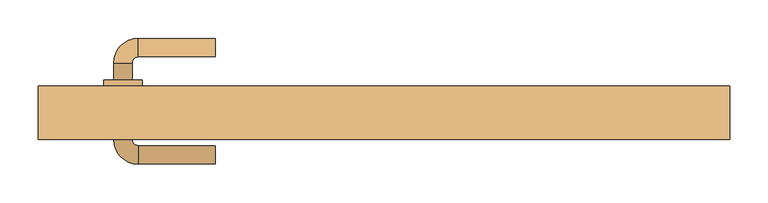
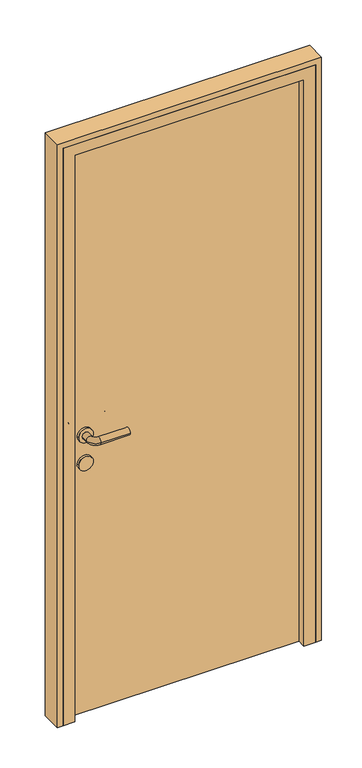
"""IFC4 building model written with IfcOpenShell, lengths in millimetres: door geometry."""

from ifc_helpers import new_model, si_unit, point, frame, frame_2d, origin, origin_with_axes, place, context, project, spatial, polyline, circle_curve, ellipse_curve, trimmed, segment, composite_curve, outline, extrude, faceted_brep, source, transform, mapped, element, save
from ifc_brep_helpers import plane_surface, cylinder_surface, revolved_surface, advanced_brep


def door_412e6088(model_context):
    return source(origin(), model_context, "Body", "SolidModel", [
        advanced_brep(
        [(-220.0, 122.0, 1000.0), (-220.0, 98.0, 1000.0), (-320.0, 122.0, 1000.0), (-320.0, 98.0, 1000.0), (-352.0, 90.0, 1000.0), (-328.0, 90.0, 1000.0), (-352.0, 68.0, 1000.0), (-328.0, 68.0, 1000.0), (-352.0, -10.0, 1000.0), (-328.0, -10.0, 1000.0), (-328.0, 12.0, 1000.0), (-352.0, 12.0, 1000.0), (-320.0, -42.0, 1000.0), (-320.0, -18.0, 1000.0), (-220.0, -42.0, 1000.0), (-220.0, -18.0, 1000.0), (-365.0, 68.0, 1000.0), (-315.0, 68.0, 1000.0), (-365.0, 12.0, 1000.0), (-315.0, 12.0, 1000.0)],
        [
            (0, 1, circle_curve(frame((-220.0, 110.0, 1000.0), z_axis=(1.0, 0.0, 0.0), x_axis=(0.0, -1.0, 0.0)), 12.0)),
            (1, 0, circle_curve(frame((-220.0, 110.0, 1000.0), z_axis=(1.0, 0.0, 0.0), x_axis=(0.0, -1.0, 0.0)), 12.0)),
            (0, 2),
            (2, 3, circle_curve(frame((-320.0, 110.0, 1000.0), z_axis=(1.0, 0.0, 0.0), x_axis=(0.0, -1.0, 0.0)), 12.0)),
            (3, 1),
            (3, 2, circle_curve(frame((-320.0, 110.0, 1000.0), z_axis=(1.0, 0.0, 0.0), x_axis=(0.0, -1.0, 0.0)), 12.0)),
            (2, 4, circle_curve(frame((-320.0, 90.0, 1000.0), z_axis=(0.0, 0.0, 1.0), x_axis=(0.0, 1.0, 0.0)), 32.0)),
            (4, 5, circle_curve(frame((-340.0, 90.0, 1000.0), z_axis=(0.0, 1.0, 0.0), x_axis=(1.0, 0.0, 0.0)), 12.0)),
            (5, 3, circle_curve(frame((-320.0, 90.0, 1000.0), z_axis=(0.0, 0.0, -1.0), x_axis=(0.0, 1.0, 0.0)), 8.0)),
            (5, 4, circle_curve(frame((-340.0, 90.0, 1000.0), z_axis=(0.0, 1.0, 0.0), x_axis=(1.0, 0.0, 0.0)), 12.0)),
            (4, 6),
            (6, 7, circle_curve(frame((-340.0, 68.0, 1000.0), z_axis=(0.0, 1.0, 0.0), x_axis=(1.0, 0.0, 0.0)), 12.0)),
            (7, 5),
            (8, 9, circle_curve(frame((-340.0, -10.0, 1000.0), z_axis=(0.0, 1.0, 0.0), x_axis=(1.0, 0.0, 0.0)), 12.0)),
            (9, 10),
            (10, 11, circle_curve(frame((-340.0, 12.0, 1000.0), z_axis=(0.0, -1.0, 0.0), x_axis=(1.0, 0.0, 0.0)), 12.0)),
            (11, 8),
            (7, 6, circle_curve(frame((-340.0, 68.0, 1000.0), z_axis=(0.0, 1.0, 0.0), x_axis=(1.0, 0.0, 0.0)), 12.0)),
            (9, 8, circle_curve(frame((-340.0, -10.0, 1000.0), z_axis=(0.0, 1.0, 0.0), x_axis=(1.0, 0.0, 0.0)), 12.0)),
            (11, 10, circle_curve(frame((-340.0, 12.0, 1000.0), z_axis=(0.0, -1.0, 0.0), x_axis=(1.0, 0.0, 0.0)), 12.0)),
            (8, 12, circle_curve(frame((-320.0, -10.0, 1000.0), z_axis=(0.0, 0.0, 1.0), x_axis=(-1.0, 0.0, 0.0)), 32.0)),
            (12, 13, circle_curve(frame((-320.0, -30.0, 1000.0), z_axis=(-1.0, 0.0, 0.0), x_axis=(0.0, 1.0, 0.0)), 12.0)),
            (13, 9, circle_curve(frame((-320.0, -10.0, 1000.0), z_axis=(0.0, 0.0, -1.0), x_axis=(-1.0, 0.0, 0.0)), 8.0)),
            (13, 12, circle_curve(frame((-320.0, -30.0, 1000.0), z_axis=(-1.0, 0.0, 0.0), x_axis=(0.0, 1.0, 0.0)), 12.0)),
            (14, 15, circle_curve(frame((-220.0, -30.0, 1000.0), z_axis=(1.0, 0.0, 0.0), x_axis=(0.0, 1.0, 0.0)), 12.0)),
            (15, 14, circle_curve(frame((-220.0, -30.0, 1000.0), z_axis=(1.0, 0.0, 0.0), x_axis=(0.0, 1.0, 0.0)), 12.0)),
            (12, 14),
            (15, 13),
            (16, 17, circle_curve(frame((-340.0, 68.0, 1000.0), z_axis=(0.0, 1.0, 0.0), x_axis=(1.0, 0.0, 0.0)), 25.0)),
            (17, 16, circle_curve(frame((-340.0, 68.0, 1000.0), z_axis=(0.0, 1.0, 0.0), x_axis=(1.0, 0.0, 0.0)), 25.0)),
            (18, 19, circle_curve(frame((-340.0, 12.0, 1000.0), z_axis=(0.0, -1.0, 0.0), x_axis=(1.0, 0.0, 0.0)), 25.0)),
            (19, 18, circle_curve(frame((-340.0, 12.0, 1000.0), z_axis=(0.0, -1.0, 0.0), x_axis=(1.0, 0.0, 0.0)), 25.0)),
            (17, 19),
            (18, 16),
        ],
        [
            plane_surface(frame((-220.0, 110.0, 1000.0), z_axis=(1.0, 0.0, 0.0), x_axis=(0.0, 0.0, 1.0))),
            cylinder_surface(frame((-220.0, 110.0, 1000.0), z_axis=(1.0, 0.0, 0.0), x_axis=(0.0, -1.0, 0.0)), 12.0),
            revolved_surface(trimmed(ellipse_curve(frame((-320.0, 110.0, 1000.0), z_axis=(1.0, 0.0, 0.0), x_axis=(0.0, -1.0, 0.0)), 12.0, 12.0), [point((-320.0, 122.0, 1000.0))], [point((-320.0, 98.0, 1000.0))], True, "CARTESIAN"), (-320.0, 90.0, 1000.0), (0.0, 0.0, 1.0)),
            revolved_surface(trimmed(ellipse_curve(frame((-320.0, 110.0, 1000.0), z_axis=(1.0, 0.0, 0.0), x_axis=(0.0, -1.0, 0.0)), 12.0, 12.0), [point((-320.0, 98.0, 1000.0))], [point((-320.0, 122.0, 1000.0))], True, "CARTESIAN"), (-320.0, 90.0, 1000.0), (0.0, 0.0, 1.0)),
            cylinder_surface(frame((-340.0, 90.0, 1000.0), z_axis=(0.0, 1.0, 0.0), x_axis=(1.0, 0.0, 0.0)), 12.0),
            revolved_surface(trimmed(ellipse_curve(frame((-340.0, -10.0, 1000.0), z_axis=(0.0, 1.0, 0.0), x_axis=(1.0, 0.0, 0.0)), 12.0, 12.0), [point((-352.0, -10.0, 1000.0))], [point((-328.0, -10.0, 1000.0))], True, "CARTESIAN"), (-320.0, -10.0, 1000.0), (0.0, 0.0, 1.0)),
            revolved_surface(trimmed(ellipse_curve(frame((-340.0, -10.0, 1000.0), z_axis=(0.0, 1.0, 0.0), x_axis=(1.0, 0.0, 0.0)), 12.0, 12.0), [point((-328.0, -10.0, 1000.0))], [point((-352.0, -10.0, 1000.0))], True, "CARTESIAN"), (-320.0, -10.0, 1000.0), (0.0, 0.0, 1.0)),
            plane_surface(frame((-220.0, -30.0, 1000.0), z_axis=(1.0, 0.0, 0.0), x_axis=(0.0, 0.0, 1.0))),
            cylinder_surface(frame((-320.0, -30.0, 1000.0), z_axis=(-1.0, 0.0, 0.0), x_axis=(0.0, 1.0, 0.0)), 12.0),
            plane_surface(frame((-315.0, 68.0, 1000.0), z_axis=(0.0, 1.0, 0.0), x_axis=(0.0, 0.0, -1.0))),
            plane_surface(frame((-315.0, 12.0, 1000.0), z_axis=(0.0, -1.0, 0.0), x_axis=(0.0, 0.0, 1.0))),
            cylinder_surface(frame((-340.0, 68.0, 1000.0), z_axis=(0.0, -1.0, 0.0), x_axis=(1.0, 0.0, 0.0)), 25.0),
        ],
        [
            (0, [[1, 2]]),
            (1, [[-1, 3, 4, 5]]),
            (1, [[-2, -5, 6, -3]]),
            (2, [[-4, 7, 8, 9]]),
            (3, [[-6, -9, 10, -7]]),
            (4, [[-8, 11, 12, 13]]),
            (4, [[14, 15, 16, 17]]),
            (4, [[-10, -13, 18, -11]]),
            (4, [[19, -17, 20, -15]]),
            (5, [[-14, 21, 22, 23]]),
            (6, [[-19, -23, 24, -21]]),
            (7, [[25, 26]]),
            (8, [[-22, 27, -26, 28]]),
            (8, [[-24, -28, -25, -27]]),
            (9, [[29, 30], [-12, -18]]),
            (10, [[31, 32], [-16, -20]]),
            (11, [[-30, 33, -31, 34]]),
            (11, [[-29, -34, -32, -33]]),
        ],
    ),
        extrude(outline(composite_curve([segment(trimmed(circle_curve(frame_2d((900.0, -340.0)), 25.0), [point((900.0, -365.0))], [point((900.0, -315.0))], False, "CARTESIAN"), True, "CONTINUOUS"), segment(trimmed(circle_curve(frame_2d((900.0, -340.0)), 25.0), [point((900.0, -315.0))], [point((900.0, -365.0))], False, "CARTESIAN"), True, "CONTINUOUS")], self_intersect=False)), frame((0.0, 12.0, 0.0), z_axis=(0.0, 1.0, 0.0), x_axis=(0.0, 0.0, 1.0)), (0.0, 0.0, 1.0), 56.0),
        extrude(outline(polyline([(400.0, 20.0), (-400.0, 20.0), (-400.0, 60.0), (400.0, 60.0), (400.0, 20.0)])), origin_with_axes(), (0.0, 0.0, 1.0), 2050.0),
        extrude(outline(polyline([(0.0, 450.0), (2100.0, 450.0), (2100.0, -450.0), (0.0, -450.0), (0.0, -430.0), (2080.0, -430.0), (2080.0, 430.0), (0.0, 430.0), (0.0, 450.0)])), frame((0.0, -10.0, 0.0), z_axis=(0.0, 1.0, 0.0), x_axis=(0.0, 0.0, 1.0)), (0.0, 0.0, 1.0), 70.0),
        faceted_brep([(-430.0, -10.0, 0.0), (-430.0, 60.0, 0.0), (-400.0, 60.0, 0.0), (-400.0, 20.0, 0.0), (-390.0, 20.0, 0.0), (-390.0, -10.0, 0.0), (-430.0, -10.0, 2080.0), (-430.0, 60.0, 2080.0), (430.0, 60.0, 2080.0), (430.0, 60.0, 0.0), (400.0, 60.0, 0.0), (400.0, 60.0, 2050.0), (-400.0, 60.0, 2050.0), (-400.0, 20.0, 2050.0), (400.0, 20.0, 2050.0), (400.0, 20.0, 0.0), (390.0, 20.0, 0.0), (390.0, 20.0, 2040.0), (-390.0, 20.0, 2040.0), (-390.0, -10.0, 2040.0), (390.0, -10.0, 2040.0), (390.0, -10.0, 0.0), (430.0, -10.0, 0.0), (430.0, -10.0, 2080.0)], [[[0, 1, 2, 3, 4, 5]], [[1, 0, 6, 7]], [[2, 1, 7, 8, 9, 10, 11, 12]], [[3, 2, 12, 13]], [[4, 3, 13, 14, 15, 16, 17, 18]], [[5, 4, 18, 19]], [[0, 5, 19, 20, 21, 22, 23, 6]], [[7, 6, 23, 8]], [[13, 12, 11, 14]], [[19, 18, 17, 20]], [[22, 21, 16, 15, 10, 9]], [[8, 23, 22, 9]], [[14, 11, 10, 15]], [[20, 17, 16, 21]]]),
    ])


if __name__ == "__main__":
    model = new_model("IFC4")
    model_context = context("Model", 3, world=origin())
    ifc_project = project(units=[si_unit("LENGTHUNIT", "METRE", prefix="MILLI")], contexts=[model_context])
    site = spatial("IfcSite", under=ifc_project)
    building = spatial("IfcBuilding", under=site)
    placement = place(None, origin())
    door_shape = door_412e6088(model_context)
    element("IfcDoor", 1, at=placement, inside=building, context=model_context, shape_type="MappedRepresentation", body=[
        mapped(door_shape, transform((0.0, 0.0, 0.0), x_axis=(1.0, 0.0, 0.0), y_axis=(0.0, 1.0, 0.0), z_axis=(0.0, 0.0, 1.0))),
    ])
    save(model, "model.ifc")
